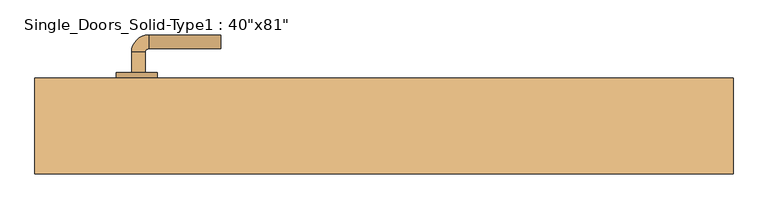
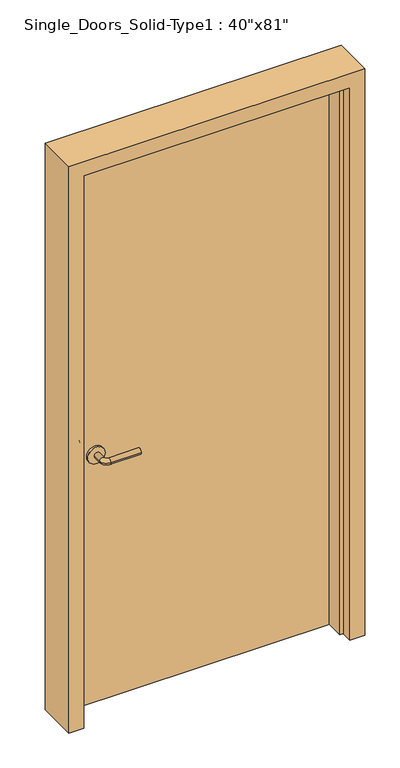
"""IFC4 building model written with IfcOpenShell, lengths in millimetres: door geometry."""

from ifc_helpers import new_model, si_unit, point, frame, frame_2d, origin, origin_with_axes, place, context, project, spatial, polyline, circle_curve, ellipse_curve, trimmed, segment, composite_curve, outline, extrude, faceted_brep, source, transform, mapped, element, save
from ifc_brep_helpers import plane_surface, cylinder_surface, revolved_surface, advanced_brep


def door_7ee7fe83(model_context):
    return source(origin(), model_context, "Body", "SolidModel", [
        advanced_brep(
        [(-367.2, 23.75, 900.0), (-347.2, 23.75, 900.0), (-347.2, -6.25, 900.0), (-367.2, -6.25, 900.0), (-342.2, -11.25, 900.0), (-342.2, -31.25, 900.0), (-237.2, -31.25, 900.0), (-237.2, -11.25, 900.0)],
        [
            (0, 1, circle_curve(frame((-357.2, 23.75, 900.0), z_axis=(0.0, 1.0, 0.0), x_axis=(1.0, 0.0, 0.0)), 10.0)),
            (1, 0, circle_curve(frame((-357.2, 23.75, 900.0), z_axis=(0.0, 1.0, 0.0), x_axis=(1.0, 0.0, 0.0)), 10.0)),
            (1, 2),
            (2, 3, circle_curve(frame((-357.2, -6.25, 900.0), z_axis=(0.0, 1.0, 0.0), x_axis=(1.0, 0.0, 0.0)), 10.0)),
            (3, 0),
            (3, 2, circle_curve(frame((-357.2, -6.25, 900.0), z_axis=(0.0, 1.0, 0.0), x_axis=(1.0, 0.0, 0.0)), 10.0)),
            (4, 5, circle_curve(frame((-342.2, -21.25, 900.0), z_axis=(-1.0, 0.0, 0.0), x_axis=(0.0, 1.0, 0.0)), 10.0)),
            (5, 3, circle_curve(frame((-342.2, -6.25, 900.0), z_axis=(0.0, 0.0, -1.0), x_axis=(-1.0, 0.0, 0.0)), 25.0)),
            (2, 4, circle_curve(frame((-342.2, -6.25, 900.0), z_axis=(0.0, 0.0, 1.0), x_axis=(-1.0, 0.0, 0.0)), 5.0)),
            (5, 4, circle_curve(frame((-342.2, -21.25, 900.0), z_axis=(-1.0, 0.0, 0.0), x_axis=(0.0, 1.0, 0.0)), 10.0)),
            (6, 7, circle_curve(frame((-237.2, -21.25, 900.0), z_axis=(1.0, 0.0, 0.0), x_axis=(0.0, 1.0, 0.0)), 10.0)),
            (7, 6, circle_curve(frame((-237.2, -21.25, 900.0), z_axis=(1.0, 0.0, 0.0), x_axis=(0.0, 1.0, 0.0)), 10.0)),
            (4, 7),
            (6, 5),
        ],
        [
            plane_surface(frame((-357.2, 23.75, 900.0), z_axis=(0.0, 1.0, 0.0), x_axis=(0.0, 0.0, 1.0))),
            cylinder_surface(frame((-357.2, 23.75, 900.0), z_axis=(0.0, 1.0, 0.0), x_axis=(1.0, 0.0, 0.0)), 10.0),
            revolved_surface(trimmed(ellipse_curve(frame((-357.2, -6.25, 900.0), z_axis=(0.0, -1.0, 0.0), x_axis=(1.0, 0.0, 0.0)), 10.0, 10.0), [point((-367.2, -6.25, 900.0))], [point((-347.2, -6.25, 900.0))], True, "CARTESIAN"), (-342.2, -6.25, 900.0), (0.0, 0.0, -1.0)),
            revolved_surface(trimmed(ellipse_curve(frame((-357.2, -6.25, 900.0), z_axis=(0.0, -1.0, 0.0), x_axis=(1.0, 0.0, 0.0)), 10.0, 10.0), [point((-347.2, -6.25, 900.0))], [point((-367.2, -6.25, 900.0))], True, "CARTESIAN"), (-342.2, -6.25, 900.0), (0.0, 0.0, -1.0)),
            plane_surface(frame((-237.2, -21.25, 900.0), z_axis=(1.0, 0.0, 0.0), x_axis=(0.0, 0.0, 1.0))),
            cylinder_surface(frame((-342.2, -21.25, 900.0), z_axis=(-1.0, 0.0, 0.0), x_axis=(0.0, 1.0, 0.0)), 10.0),
        ],
        [
            (0, [[1, 2]]),
            (1, [[3, 4, 5, -2]]),
            (1, [[-5, 6, -3, -1]]),
            (2, [[7, 8, -4, 9]]),
            (3, [[10, -9, -6, -8]]),
            (4, [[11, 12]]),
            (5, [[13, -11, 14, -7]]),
            (5, [[-14, -12, -13, -10]]),
        ],
    ),
        extrude(outline(composite_curve([segment(trimmed(circle_curve(frame_2d((900.0, -359.7)), 30.0), [point((900.0, -389.7))], [point((900.0, -329.7))], False, "CARTESIAN"), True, "CONTINUOUS"), segment(trimmed(circle_curve(frame_2d((900.0, -359.7)), 30.0), [point((900.0, -329.7))], [point((900.0, -389.7))], False, "CARTESIAN"), True, "CONTINUOUS")], self_intersect=False)), frame((0.0, 23.75, 0.0), z_axis=(0.0, 1.0, 0.0), x_axis=(0.0, 0.0, 1.0)), (0.0, 0.0, 1.0), 8.0),
        advanced_brep(
        [(-367.2, 77.85, 900.0), (-347.2, 77.85, 900.0), (-367.2, 107.85, 900.0), (-347.2, 107.85, 900.0), (-342.2, 112.85, 900.0), (-342.2, 132.85, 900.0), (-237.2, 132.85, 900.0), (-237.2, 112.85, 900.0)],
        [
            (0, 1, circle_curve(frame((-357.2, 77.85, 900.0), z_axis=(0.0, -1.0, 0.0), x_axis=(1.0, 0.0, 0.0)), 10.0)),
            (1, 0, circle_curve(frame((-357.2, 77.85, 900.0), z_axis=(0.0, -1.0, 0.0), x_axis=(1.0, 0.0, 0.0)), 10.0)),
            (0, 2),
            (2, 3, circle_curve(frame((-357.2, 107.85, 900.0), z_axis=(0.0, -1.0, 0.0), x_axis=(1.0, 0.0, 0.0)), 10.0)),
            (3, 1),
            (3, 2, circle_curve(frame((-357.2, 107.85, 900.0), z_axis=(0.0, -1.0, 0.0), x_axis=(1.0, 0.0, 0.0)), 10.0)),
            (4, 3, circle_curve(frame((-342.2, 107.85, 900.0), z_axis=(0.0, 0.0, 1.0), x_axis=(-1.0, 0.0, 0.0)), 5.0)),
            (2, 5, circle_curve(frame((-342.2, 107.85, 900.0), z_axis=(0.0, 0.0, -1.0), x_axis=(-1.0, 0.0, 0.0)), 25.0)),
            (5, 4, circle_curve(frame((-342.2, 122.85, 900.0), z_axis=(-1.0, 0.0, 0.0), x_axis=(0.0, -1.0, 0.0)), 10.0)),
            (4, 5, circle_curve(frame((-342.2, 122.85, 900.0), z_axis=(-1.0, 0.0, 0.0), x_axis=(0.0, -1.0, 0.0)), 10.0)),
            (6, 7, circle_curve(frame((-237.2, 122.85, 900.0), z_axis=(1.0, 0.0, 0.0), x_axis=(0.0, -1.0, 0.0)), 10.0)),
            (7, 6, circle_curve(frame((-237.2, 122.85, 900.0), z_axis=(1.0, 0.0, 0.0), x_axis=(0.0, -1.0, 0.0)), 10.0)),
            (5, 6),
            (7, 4),
        ],
        [
            plane_surface(frame((-357.2, 77.85, 900.0), z_axis=(0.0, -1.0, 0.0), x_axis=(0.0, 0.0, 1.0))),
            cylinder_surface(frame((-357.2, 77.85, 900.0), z_axis=(0.0, -1.0, 0.0), x_axis=(1.0, 0.0, 0.0)), 10.0),
            revolved_surface(trimmed(ellipse_curve(frame((-357.2, 107.85, 900.0), z_axis=(0.0, -1.0, 0.0), x_axis=(1.0, 0.0, 0.0)), 10.0, 10.0), [point((-367.2, 107.85, 900.0))], [point((-347.2, 107.85, 900.0))], True, "CARTESIAN"), (-342.2, 107.85, 900.0), (0.0, 0.0, -1.0)),
            revolved_surface(trimmed(ellipse_curve(frame((-357.2, 107.85, 900.0), z_axis=(0.0, -1.0, 0.0), x_axis=(1.0, 0.0, 0.0)), 10.0, 10.0), [point((-347.2, 107.85, 900.0))], [point((-367.2, 107.85, 900.0))], True, "CARTESIAN"), (-342.2, 107.85, 900.0), (0.0, 0.0, -1.0)),
            plane_surface(frame((-237.2, 122.85, 900.0), z_axis=(1.0, 0.0, 0.0), x_axis=(0.0, 0.0, 1.0))),
            cylinder_surface(frame((-342.2, 122.85, 900.0), z_axis=(-1.0, 0.0, 0.0), x_axis=(0.0, -1.0, 0.0)), 10.0),
        ],
        [
            (0, [[1, 2]]),
            (1, [[-1, 3, 4, 5]]),
            (1, [[-2, -5, 6, -3]]),
            (2, [[7, -4, 8, 9]]),
            (3, [[-8, -6, -7, 10]]),
            (4, [[11, 12]]),
            (5, [[-9, 13, -12, 14]]),
            (5, [[-10, -14, -11, -13]]),
        ],
    ),
        extrude(outline(composite_curve([segment(trimmed(circle_curve(frame_2d((900.0, -359.7)), 30.0), [point((900.0, -389.7))], [point((900.0, -329.7))], False, "CARTESIAN"), True, "CONTINUOUS"), segment(trimmed(circle_curve(frame_2d((900.0, -359.7)), 30.0), [point((900.0, -329.7))], [point((900.0, -389.7))], False, "CARTESIAN"), True, "CONTINUOUS")], self_intersect=False)), frame((0.0, 69.85, 0.0), z_axis=(0.0, 1.0, 0.0), x_axis=(0.0, 0.0, 1.0)), (0.0, 0.0, 1.0), 8.0),
        faceted_brep([(-508.0, -69.85, 0.0), (-508.0, 69.85, 0.0), (-457.2, 69.85, 0.0), (-457.2, 31.75, 0.0), (-444.5, 31.75, 0.0), (-444.5, -31.75, 0.0), (-457.2, -31.75, 0.0), (-457.2, -69.85, 0.0), (-508.0, -69.85, 2057.4), (-508.0, 69.85, 2057.4), (508.0, 69.85, 2057.4), (508.0, 69.85, 0.0), (457.2, 69.85, 0.0), (457.2, 69.85, 2006.6), (-457.2, 69.85, 2006.6), (-457.2, 31.75, 2006.6), (457.2, 31.75, 2006.6), (457.2, 31.75, 0.0), (444.5, 31.75, 0.0), (444.5, 31.75, 1993.9), (-444.5, 31.75, 1993.9), (-444.5, -31.75, 1993.9), (444.5, -31.75, 1993.9), (444.5, -31.75, 0.0), (457.2, -31.75, 0.0), (457.2, -31.75, 2006.6), (-457.2, -31.75, 2006.6), (-457.2, -69.85, 2006.6), (457.2, -69.85, 2006.6), (457.2, -69.85, 0.0), (508.0, -69.85, 0.0), (508.0, -69.85, 2057.4)], [[[0, 1, 2, 3, 4, 5, 6, 7]], [[1, 0, 8, 9]], [[2, 1, 9, 10, 11, 12, 13, 14]], [[3, 2, 14, 15]], [[4, 3, 15, 16, 17, 18, 19, 20]], [[5, 4, 20, 21]], [[6, 5, 21, 22, 23, 24, 25, 26]], [[7, 6, 26, 27]], [[0, 7, 27, 28, 29, 30, 31, 8]], [[10, 31, 30, 11]], [[30, 29, 24, 23, 18, 17, 12, 11]], [[16, 13, 12, 17]], [[22, 19, 18, 23]], [[28, 25, 24, 29]], [[9, 8, 31, 10]], [[15, 14, 13, 16]], [[21, 20, 19, 22]], [[27, 26, 25, 28]]]),
        extrude(outline(polyline([(457.2, 31.75), (-457.2, 31.75), (-457.2, 69.85), (457.2, 69.85), (457.2, 31.75)])), origin_with_axes(), (0.0, 0.0, 1.0), 2006.6),
    ])


if __name__ == "__main__":
    model = new_model("IFC4")
    model_context = context("Model", 3, world=origin())
    ifc_project = project(units=[si_unit("LENGTHUNIT", "METRE", prefix="MILLI")], contexts=[model_context])
    site = spatial("IfcSite", under=ifc_project)
    building = spatial("IfcBuilding", under=site)
    placement = place(None, origin())
    door_shape = door_7ee7fe83(model_context)
    element("IfcDoor", 1, ObjectType="Single_Doors_Solid-Type1 : 40\"x81\"", at=placement, inside=building, context=model_context, shape_type="MappedRepresentation", body=[
        mapped(door_shape, transform((0.0, 0.0, 0.0), x_axis=(1.0, 0.0, 0.0), y_axis=(0.0, 1.0, 0.0), z_axis=(0.0, 0.0, 1.0))),
    ])
    save(model, "model.ifc")
